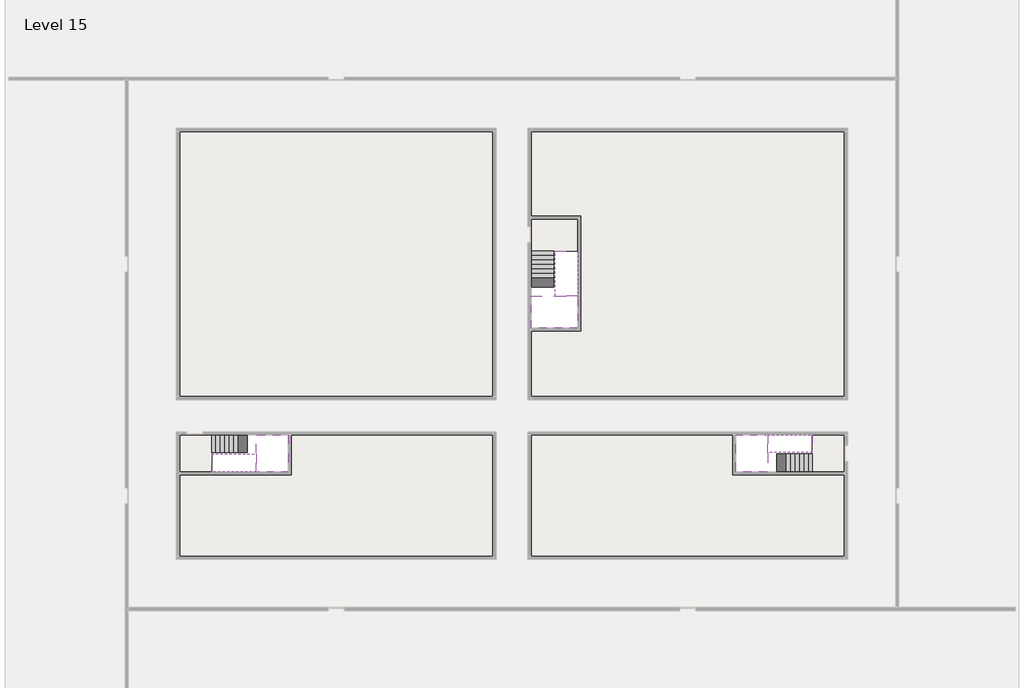
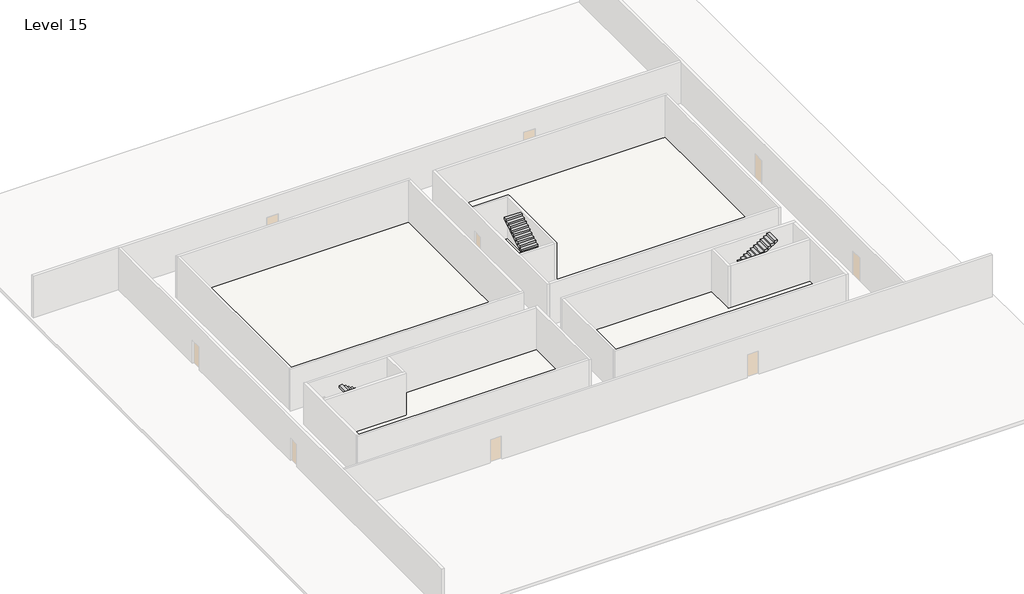
# One storey, part 2 of 2: 6 stair flights, 5 slabs.
"""IFC4 building model written with IfcOpenShell, lengths in millimetres."""

import ifcopenshell
import ifcopenshell.guid

model = None  # the IFC model being written
_history = None  # IfcOwnerHistory: only IFC2X3 demands one
_inside = {}  # id of a spatial element -> (the spatial element, [elements in it])
_under = {}  # id of a project, library or spatial element -> (it, [spatial elements below it])
_declared = {}  # id of a project -> (the project, [libraries it declares])
_typed = {}  # id of a type object -> (the type object, [elements of that type])
_made_of = {}  # id of a material, layer set ... -> (it, [elements and type objects made of it])


def new_model(schema):
    """Start an empty IFC model of exactly this schema.

    Asked for "IFC4X3", IfcOpenShell would pick the latest addendum, in which some entities
    have other attributes; the version numbers below select the first issue.
    IFC2X3 requires an IfcOwnerHistory on every rooted entity: one is made here for all.
    """
    global model, _history
    if schema == "IFC4X3":
        model = ifcopenshell.file(schema_version=(4, 3, 0, 0))
    else:
        model = ifcopenshell.file(schema=schema)
    _inside.clear()
    _under.clear()
    _declared.clear()
    _typed.clear()
    _made_of.clear()
    _history = None
    if model.schema == "IFC2X3":
        org = make("IfcOrganization", Name="unknown")
        user = make(
            "IfcPersonAndOrganization",
            ThePerson=make("IfcPerson", FamilyName="unknown"),
            TheOrganization=org,
        )
        app = make(
            "IfcApplication",
            ApplicationDeveloper=org,
            Version="unknown",
            ApplicationFullName="unknown",
            ApplicationIdentifier="unknown",
        )
        _history = make(
            "IfcOwnerHistory",
            OwningUser=user,
            OwningApplication=app,
            ChangeAction="ADDED",
            CreationDate=0,
        )
    return model


def make(cls, **values):
    """One entity of the class cls with the attributes given. An attribute that is None is left unset."""
    return model.create_entity(
        cls, **{name: value for name, value in values.items() if value is not None}
    )


def rooted(cls, **values):
    """An entity with a GlobalId (a new one), such as an element, a storey or a relation."""
    return make(cls, GlobalId=ifcopenshell.guid.new(), OwnerHistory=_history, **values)


def si_unit(unit_type, name, prefix=None):
    """IfcSIUnit, for example si_unit("LENGTHUNIT", "METRE", prefix="MILLI")."""
    return make("IfcSIUnit", UnitType=unit_type, Prefix=prefix, Name=name)


def assignment(units):
    """IfcUnitAssignment: the units of a project."""
    return None if units is None else make("IfcUnitAssignment", Units=units)


def point(xyz):
    """IfcCartesianPoint."""
    return None if xyz is None else make("IfcCartesianPoint", Coordinates=xyz)


def direction(xyz):
    """IfcDirection."""
    return None if xyz is None else make("IfcDirection", DirectionRatios=xyz)


def frame(location, z_axis=None, x_axis=None):
    """IfcAxis2Placement3D, a coordinate frame: its origin and axes. An axis left out is left unset."""
    return make(
        "IfcAxis2Placement3D",
        Location=point(location),
        Axis=direction(z_axis),
        RefDirection=direction(x_axis),
    )


def origin():
    """The frame at (0, 0, 0) with its axes left unset."""
    return frame((0.0, 0.0, 0.0))


def place(relative_to, where):
    """IfcLocalPlacement: puts the frame where relative to a parent placement (None: the world)."""
    return make(
        "IfcLocalPlacement", PlacementRelTo=relative_to, RelativePlacement=where
    )


def context(
    kind, dimensions, precision=None, world=None, true_north=None, identifier=None
):
    """IfcGeometricRepresentationContext, for example the 3D "Model" context."""
    return make(
        "IfcGeometricRepresentationContext",
        ContextIdentifier=identifier,
        ContextType=kind,
        CoordinateSpaceDimension=dimensions,
        Precision=precision,
        WorldCoordinateSystem=world,
        TrueNorth=true_north,
    )


def project(units=None, contexts=None):
    """IfcProject with its units and contexts."""
    return rooted(
        "IfcProject",
        Name="project",
        RepresentationContexts=contexts,
        UnitsInContext=assignment(units),
    )


def spatial(cls, under=None, at=None, **own):
    """A site, building, storey or space (cls), placed at a placement, below another one or the project."""
    s = rooted(cls, ObjectPlacement=at, **own)
    if under is not None:
        _under.setdefault(under.id(), (under, []))[1].append(s)
    return s


def polyline(points):
    """IfcPolyline through the points."""
    return make("IfcPolyline", Points=[point(p) for p in points])


def outline(outer, holes=None, kind="AREA"):
    """IfcArbitraryClosedProfileDef: a profile drawn as a closed curve; with holes, ...WithVoids."""
    if holes is None:
        return make("IfcArbitraryClosedProfileDef", ProfileType=kind, OuterCurve=outer)
    return make(
        "IfcArbitraryProfileDefWithVoids",
        ProfileType=kind,
        OuterCurve=outer,
        InnerCurves=holes,
    )


def extrude(swept, where, along, depth):
    """IfcExtrudedAreaSolid: the profile swept, set in the frame where, extruded along a direction by depth."""
    return make(
        "IfcExtrudedAreaSolid",
        SweptArea=swept,
        Position=where,
        ExtrudedDirection=direction(along),
        Depth=depth,
    )


def faces_of(points, faces, orient=None, outer=None):
    """IfcFace entities. A face is a list of loops; a loop is a list of indices into points, from 0.

    orient and outer hold one flag for each loop. By default every Orientation is true, the
    first loop of a face is its IfcFaceOuterBound and the others are IfcFaceBound.
    """
    made = []
    for i, loops in enumerate(faces):
        bounds = []
        for j, loop in enumerate(loops):
            is_outer = j == 0 if outer is None else outer[i][j]
            bounds.append(
                make(
                    "IfcFaceOuterBound" if is_outer else "IfcFaceBound",
                    Bound=make("IfcPolyLoop", Polygon=[points[k] for k in loop]),
                    Orientation=True if orient is None else orient[i][j],
                )
            )
        made.append(make("IfcFace", Bounds=bounds))
    return made


def faceted_brep(points, faces, orient=None, outer=None, voids=None):
    """IfcFacetedBrep: a solid bounded by flat faces; with voids (closed shells), ...WithVoids."""
    shared = [point(p) for p in points]
    hull = make("IfcClosedShell", CfsFaces=faces_of(shared, faces, orient, outer))
    if voids is None:
        return make("IfcFacetedBrep", Outer=hull)
    return make(
        "IfcFacetedBrepWithVoids",
        Outer=hull,
        Voids=[
            make(cls, CfsFaces=faces_of(shared, fs, o, b)) for cls, fs, o, b in voids
        ],
    )


def shape(context_of_items, identifier, shape_type, items):
    """IfcShapeRepresentation: the items that make up one representation, for example the "Body"."""
    return make(
        "IfcShapeRepresentation",
        ContextOfItems=context_of_items,
        RepresentationIdentifier=identifier,
        RepresentationType=shape_type,
        Items=items,
    )


def made_of(thing, what):
    """Note that an element or type object is made of a material, layer set ...; save() writes the relation."""
    if what is not None:
        _made_of.setdefault(what.id(), (what, []))[1].append(thing)
    return thing


def element(
    cls,
    number,
    at=None,
    inside=None,
    cuts=None,
    type_object=None,
    material=None,
    context=None,
    identifier="Body",
    shape_type=None,
    held_by="IfcProductDefinitionShape",
    body=None,
    shapes=None,
    **own,
):
    """One element of the class cls, such as IfcWall. Its Tag is "e" and its number.

    at: its placement. inside: the storey or other place that contains it. cuts: it is an
    opening in that element (IfcRelVoidsElement). A single representation is given by context,
    identifier, shape_type and body (its items); several are given by shapes. held_by: the class
    of the entity that holds the representations. save() writes the other relations.
    """
    e = rooted(cls, Tag="e%d" % number, ObjectPlacement=at, **own)
    if body is not None:
        shapes = [shape(context, identifier, shape_type, body)]
    if shapes is not None:
        e.Representation = make(held_by, Representations=shapes)
    if inside is not None:
        _inside.setdefault(inside.id(), (inside, []))[1].append(e)
    if cuts is not None:
        rooted(
            "IfcRelVoidsElement", RelatingBuildingElement=cuts, RelatedOpeningElement=e
        )
    if type_object is not None:
        _typed.setdefault(type_object.id(), (type_object, []))[1].append(e)
    return made_of(e, material)


def aggregate(whole, parts):
    """IfcRelAggregates: a whole, such as a stair, and the parts it consists of."""
    return rooted("IfcRelAggregates", RelatingObject=whole, RelatedObjects=parts)


def save(model, path):
    """Write the relations noted so far, then the file.

    IfcRelAggregates (storeys below a building ...), IfcRelContainedInSpatialStructure (elements
    in a storey), IfcRelDefinesByType, IfcRelAssociatesMaterial and IfcRelDeclares: one each for
    every whole, place, type object, material and project.
    """
    for whole, parts in _under.values():
        aggregate(whole, parts)
    for where, things in _inside.values():
        rooted(
            "IfcRelContainedInSpatialStructure",
            RelatedElements=things,
            RelatingStructure=where,
        )
    for kind, things in _typed.values():
        rooted("IfcRelDefinesByType", RelatedObjects=things, RelatingType=kind)
    for what, things in _made_of.values():
        rooted("IfcRelAssociatesMaterial", RelatedObjects=things, RelatingMaterial=what)
    for by, libraries in _declared.values():
        rooted("IfcRelDeclares", RelatingContext=by, RelatedDefinitions=libraries)
    model.write(path)


model = new_model("IFC4")

# Units and contexts
model_context = context("Model", 3, world=origin())
ifc_project = project(units=[si_unit("LENGTHUNIT", "METRE", prefix="MILLI")], contexts=[model_context])

# Site, building, storey
site = spatial("IfcSite", under=ifc_project)
building = spatial("IfcBuilding", under=site)
storey = spatial("IfcBuildingStorey", under=building, Name="Level 15", Elevation=53200.0)

# Slabs
placement = place(None, origin())
element("IfcSlab", 1, at=placement, inside=storey, context=model_context, shape_type="Brep", body=[
    faceted_brep([(8190.1058784, -42918.09644, 55100.0), (8190.1058784, -44018.09644, 55100.0), (8190.1058784, -44118.09644, 55100.0), (8190.1058784, -45218.09644, 55100.0), (8390.7194421, -45218.09644, 55100.0), (10190.1058784, -45218.09644, 55100.0), (10190.1058784, -42918.09644, 55100.0), (8269.4923146, -42918.09644, 55100.0), (8190.1058784, -42918.09644, 54927.2727273), (8190.1058784, -42918.09644, 54751.0278478), (8190.1058784, -44018.09644, 54751.0278478), (8190.1058784, -44018.09644, 54800.0), (8190.1058784, -44118.09644, 54800.0), (8190.1058784, -44118.09644, 54923.7551205), (8190.1058784, -45218.09644, 54923.7551205), (8390.7194421, -45218.09644, 54800.0), (10190.1058784, -45218.09644, 54800.0), (10190.1058784, -42918.09644, 54800.0), (8269.4923146, -42918.09644, 54800.0), (8390.7194421, -44118.09644, 54800.0), (8269.4923146, -44018.09644, 54800.0)], [[[0, 1, 2, 3, 4, 5, 6, 7]], [[1, 0, 8, 9, 10, 11]], [[2, 1, 11, 12, 13]], [[3, 2, 13, 14]], [[3, 14, 15, 16, 5, 4]], [[6, 5, 16, 17]], [[9, 8, 0, 7, 6, 17, 18]], [[19, 12, 11, 20, 18, 17, 16, 15]], [[12, 19, 13]], [[18, 20, 10, 9]], [[20, 11, 10]], [[19, 15, 14, 13]]]),
])
element("IfcSlab", 2, at=placement, inside=storey, context=model_context, shape_type="Brep", body=[
    faceted_brep([(40190.1058784, -45218.09644, 55100.0), (40190.1058784, -44118.09644, 55100.0), (40190.1058784, -44018.09644, 55100.0), (40190.1058784, -42918.09644, 55100.0), (39989.4923146, -42918.09644, 55100.0), (38190.1058784, -42918.09644, 55100.0), (38190.1058784, -45218.09644, 55100.0), (40110.7194421, -45218.09644, 55100.0), (40190.1058784, -45218.09644, 54927.2727273), (40190.1058784, -45218.09644, 54751.0278478), (40190.1058784, -44118.09644, 54751.0278478), (40190.1058784, -44118.09644, 54800.0), (40190.1058784, -44018.09644, 54800.0), (40190.1058784, -44018.09644, 54923.7551205), (40190.1058784, -42918.09644, 54923.7551205), (39989.4923146, -42918.09644, 54800.0), (38190.1058784, -42918.09644, 54800.0), (38190.1058784, -45218.09644, 54800.0), (40110.7194421, -45218.09644, 54800.0), (39989.4923146, -44018.09644, 54800.0), (40110.7194421, -44118.09644, 54800.0)], [[[0, 1, 2, 3, 4, 5, 6, 7]], [[1, 0, 8, 9, 10, 11]], [[2, 1, 11, 12, 13]], [[3, 2, 13, 14]], [[3, 14, 15, 16, 5, 4]], [[6, 5, 16, 17]], [[9, 8, 0, 7, 6, 17, 18]], [[19, 12, 11, 20, 18, 17, 16, 15]], [[12, 19, 13]], [[18, 20, 10, 9]], [[20, 11, 10]], [[19, 15, 14, 13]]]),
])
element("IfcSlab", 3, at=placement, inside=storey, context=model_context, shape_type="Brep", body=[
    faceted_brep([(26790.1058784, -34218.09644, 55100.0), (25390.1058784, -34218.09644, 55100.0), (25390.1058784, -34297.4828763, 55100.0), (25390.1058784, -36218.09644, 55100.0), (28290.1058784, -36218.09644, 55100.0), (28290.1058784, -34418.7100038, 55100.0), (28290.1058784, -34218.09644, 55100.0), (26890.1058784, -34218.09644, 55100.0), (26790.1058784, -34218.09644, 54800.0), (26790.1058784, -34218.09644, 54751.0278478), (25390.1058784, -34218.09644, 54751.0278478), (25390.1058784, -34218.09644, 54927.2727273), (25390.1058784, -34297.4828763, 54800.0), (25390.1058784, -36218.09644, 54800.0), (28290.1058784, -36218.09644, 54800.0), (28290.1058784, -34418.7100038, 54800.0), (28290.1058784, -34218.09644, 54923.7551205), (26890.1058784, -34218.09644, 54923.7551205), (26890.1058784, -34218.09644, 54800.0), (26890.1058784, -34418.7100038, 54800.0), (26790.1058784, -34297.4828763, 54800.0)], [[[0, 1, 2, 3, 4, 5, 6, 7]], [[1, 0, 8, 9, 10, 11]], [[1, 11, 10, 12, 13, 3, 2]], [[4, 3, 13, 14]], [[4, 14, 15, 16, 6, 5]], [[7, 6, 16, 17]], [[0, 7, 17, 18, 8]], [[18, 19, 15, 14, 13, 12, 20, 8]], [[19, 18, 17]], [[20, 12, 10, 9]], [[8, 20, 9]], [[15, 19, 17, 16]]]),
])
element("IfcSlab", 4, at=placement, inside=storey, context=model_context, shape_type="SweptSolid", body=[
    extrude(outline(polyline([(22990.1058784, -23918.09644), (22990.1058784, -40518.09644), (3390.1058784, -40518.09644), (3390.1058784, -23918.09644), (22990.1058784, -23918.09644)])), frame((0.0, 0.0, 52900.0), z_axis=(0.0, 0.0, 1.0), x_axis=(1.0, 0.0, 0.0)), (0.0, 0.0, 1.0), 300.0),
    extrude(outline(polyline([(44990.1058784, -23918.09644), (44990.1058784, -40518.09644), (25390.1058784, -40518.09644), (25390.1058784, -36418.09644), (28490.1058784, -36418.09644), (28490.1058784, -29218.09644), (25390.1058784, -29218.09644), (25390.1058784, -23918.09644), (44990.1058784, -23918.09644)])), frame((0.0, 0.0, 52900.0), z_axis=(0.0, 0.0, 1.0), x_axis=(1.0, 0.0, 0.0)), (0.0, 0.0, 1.0), 300.0),
    extrude(outline(polyline([(22990.1058784, -42918.09644), (22990.1058784, -50518.09644), (3390.1058784, -50518.09644), (3390.1058784, -45418.09644), (10390.1058784, -45418.09644), (10390.1058784, -42918.09644), (22990.1058784, -42918.09644)])), frame((0.0, 0.0, 52900.0), z_axis=(0.0, 0.0, 1.0), x_axis=(1.0, 0.0, 0.0)), (0.0, 0.0, 1.0), 300.0),
    extrude(outline(polyline([(37990.1058784, -42918.09644), (37990.1058784, -45418.09644), (44990.1058784, -45418.09644), (44990.1058784, -50518.09644), (25390.1058784, -50518.09644), (25390.1058784, -42918.09644), (37990.1058784, -42918.09644)])), frame((0.0, 0.0, 52900.0), z_axis=(0.0, 0.0, 1.0), x_axis=(1.0, 0.0, 0.0)), (0.0, 0.0, 1.0), 300.0),
])
element("IfcSlab", 5, at=placement, inside=storey, context=model_context, shape_type="SweptSolid", body=[
    extrude(outline(polyline([(44990.1058784, -42918.09644), (44990.1058784, -45218.09644), (42990.1058784, -45218.09644), (42990.1058784, -42918.09644), (44990.1058784, -42918.09644)])), frame((0.0, 0.0, 52900.0), z_axis=(0.0, 0.0, 1.0), x_axis=(1.0, 0.0, 0.0)), (0.0, 0.0, 1.0), 300.0),
    extrude(outline(polyline([(5390.1058784, -42918.09644), (5390.1058784, -45218.09644), (3390.1058784, -45218.09644), (3390.1058784, -42918.09644), (5390.1058784, -42918.09644)])), frame((0.0, 0.0, 52900.0), z_axis=(0.0, 0.0, 1.0), x_axis=(1.0, 0.0, 0.0)), (0.0, 0.0, 1.0), 300.0),
    extrude(outline(polyline([(28290.1058784, -29418.09644), (28290.1058784, -31418.09644), (25390.1058784, -31418.09644), (25390.1058784, -29418.09644), (28290.1058784, -29418.09644)])), frame((0.0, 0.0, 52900.0), z_axis=(0.0, 0.0, 1.0), x_axis=(1.0, 0.0, 0.0)), (0.0, 0.0, 1.0), 300.0),
])

# Stair flights
element("IfcStairFlight", 6, at=placement, inside=storey, context=model_context, shape_type="Brep", body=[
    faceted_brep([(5670.1058784, -42918.09644, 53372.7272727), (5390.1058784, -42918.09644, 53372.7272727), (5390.1058784, -44018.09644, 53372.7272727), (5670.1058784, -44018.09644, 53372.7272727), (5670.1058784, -42918.09644, 53200.0), (5390.1058784, -42918.09644, 53200.0), (5390.1058784, -44018.09644, 53200.0), (5670.1058784, -44018.09644, 53200.0), (5950.1058784, -42918.09644, 53545.4545455), (5670.1058784, -42918.09644, 53545.4545455), (5670.1058784, -44018.09644, 53545.4545455), (5950.1058784, -44018.09644, 53545.4545455), (5950.1058784, -42918.09644, 53369.209666), (5675.8081041, -42918.09644, 53200.0), (5675.8081041, -44018.09644, 53200.0), (5950.1058784, -44018.09644, 53369.209666), (6230.1058784, -42918.09644, 53718.1818182), (5950.1058784, -42918.09644, 53718.1818182), (5950.1058784, -44018.09644, 53718.1818182), (6230.1058784, -44018.09644, 53718.1818182), (6230.1058784, -42918.09644, 53541.9369387), (6230.1058784, -44018.09644, 53541.9369387), (6510.1058784, -42918.09644, 53890.9090909), (6230.1058784, -42918.09644, 53890.9090909), (6230.1058784, -44018.09644, 53890.9090909), (6510.1058784, -44018.09644, 53890.9090909), (6510.1058784, -42918.09644, 53714.6642114), (6510.1058784, -44018.09644, 53714.6642114), (6790.1058784, -42918.09644, 54063.6363636), (6510.1058784, -42918.09644, 54063.6363636), (6510.1058784, -44018.09644, 54063.6363636), (6790.1058784, -44018.09644, 54063.6363636), (6790.1058784, -42918.09644, 53887.3914841), (6790.1058784, -44018.09644, 53887.3914841), (7070.1058784, -42918.09644, 54236.3636364), (6790.1058784, -42918.09644, 54236.3636364), (6790.1058784, -44018.09644, 54236.3636364), (7070.1058784, -44018.09644, 54236.3636364), (7070.1058784, -42918.09644, 54060.1187569), (7070.1058784, -44018.09644, 54060.1187569), (7350.1058784, -42918.09644, 54409.0909091), (7070.1058784, -42918.09644, 54409.0909091), (7070.1058784, -44018.09644, 54409.0909091), (7350.1058784, -44018.09644, 54409.0909091), (7350.1058784, -42918.09644, 54232.8460296), (7350.1058784, -44018.09644, 54232.8460296), (7630.1058784, -42918.09644, 54581.8181818), (7350.1058784, -42918.09644, 54581.8181818), (7350.1058784, -44018.09644, 54581.8181818), (7630.1058784, -44018.09644, 54581.8181818), (7630.1058784, -42918.09644, 54405.5733023), (7630.1058784, -44018.09644, 54405.5733023), (7910.1058784, -42918.09644, 54754.5454545), (7630.1058784, -42918.09644, 54754.5454545), (7630.1058784, -44018.09644, 54754.5454545), (7910.1058784, -44018.09644, 54754.5454545), (7910.1058784, -42918.09644, 54578.3005751), (7910.1058784, -44018.09644, 54578.3005751), (8190.1058784, -42918.09644, 54927.2727273), (7910.1058784, -42918.09644, 54927.2727273), (7910.1058784, -44018.09644, 54927.2727273), (8190.1058784, -44018.09644, 54927.2727273), (8190.1058784, -42918.09644, 54751.0278478), (8190.1058784, -44018.09644, 54751.0278478), (8190.1058784, -44018.09644, 54800.0)], [[[0, 1, 2, 3]], [[1, 0, 4, 5]], [[2, 1, 5, 6]], [[3, 2, 6, 7]], [[8, 9, 10, 11]], [[4, 0, 9, 8, 12, 13]], [[0, 3, 10, 9]], [[3, 7, 14, 15, 11, 10]], [[16, 17, 18, 19]], [[17, 16, 20, 12, 8]], [[8, 11, 18, 17]], [[19, 18, 11, 15, 21]], [[22, 23, 24, 25]], [[23, 22, 26, 20, 16]], [[16, 19, 24, 23]], [[25, 24, 19, 21, 27]], [[28, 29, 30, 31]], [[29, 28, 32, 26, 22]], [[22, 25, 30, 29]], [[31, 30, 25, 27, 33]], [[34, 35, 36, 37]], [[35, 34, 38, 32, 28]], [[28, 31, 36, 35]], [[37, 36, 31, 33, 39]], [[40, 41, 42, 43]], [[41, 40, 44, 38, 34]], [[34, 37, 42, 41]], [[43, 42, 37, 39, 45]], [[46, 47, 48, 49]], [[47, 46, 50, 44, 40]], [[40, 43, 48, 47]], [[49, 48, 43, 45, 51]], [[52, 53, 54, 55]], [[53, 52, 56, 50, 46]], [[46, 49, 54, 53]], [[55, 54, 49, 51, 57]], [[58, 59, 60, 61]], [[59, 58, 62, 56, 52]], [[52, 55, 60, 59]], [[61, 60, 55, 57, 63, 64]], [[58, 61, 64, 63, 62]], [[5, 4, 13, 14, 7, 6]], [[14, 13, 12, 20, 26, 32, 38, 44, 50, 56, 62, 63, 57, 51, 45, 39, 33, 27, 21, 15]]]),
])
element("IfcStairFlight", 7, at=placement, inside=storey, context=model_context, shape_type="Brep", body=[
    faceted_brep([(7910.1058784, -45218.09644, 55272.7272727), (8190.1058784, -45218.09644, 55272.7272727), (8190.1058784, -44118.09644, 55272.7272727), (7910.1058784, -44118.09644, 55272.7272727), (7910.1058784, -45218.09644, 55096.4823932), (8190.1058784, -45218.09644, 54923.7551205), (8190.1058784, -45218.09644, 55100.0), (8190.1058784, -44118.09644, 54923.7551205), (7910.1058784, -44118.09644, 55096.4823932), (7630.1058784, -45218.09644, 55445.4545455), (7910.1058784, -45218.09644, 55445.4545455), (7910.1058784, -44118.09644, 55445.4545455), (7630.1058784, -44118.09644, 55445.4545455), (7630.1058784, -45218.09644, 55269.209666), (7630.1058784, -44118.09644, 55269.209666), (7350.1058784, -45218.09644, 55618.1818182), (7630.1058784, -45218.09644, 55618.1818182), (7630.1058784, -44118.09644, 55618.1818182), (7350.1058784, -44118.09644, 55618.1818182), (7350.1058784, -45218.09644, 55441.9369387), (7350.1058784, -44118.09644, 55441.9369387), (7070.1058784, -45218.09644, 55790.9090909), (7350.1058784, -45218.09644, 55790.9090909), (7350.1058784, -44118.09644, 55790.9090909), (7070.1058784, -44118.09644, 55790.9090909), (7070.1058784, -45218.09644, 55614.6642114), (7070.1058784, -44118.09644, 55614.6642114), (6790.1058784, -45218.09644, 55963.6363636), (7070.1058784, -45218.09644, 55963.6363636), (7070.1058784, -44118.09644, 55963.6363636), (6790.1058784, -44118.09644, 55963.6363636), (6790.1058784, -45218.09644, 55787.3914841), (6790.1058784, -44118.09644, 55787.3914841), (6510.1058784, -45218.09644, 56136.3636364), (6790.1058784, -45218.09644, 56136.3636364), (6790.1058784, -44118.09644, 56136.3636364), (6510.1058784, -44118.09644, 56136.3636364), (6510.1058784, -45218.09644, 55960.1187569), (6510.1058784, -44118.09644, 55960.1187569), (6230.1058784, -45218.09644, 56309.0909091), (6510.1058784, -45218.09644, 56309.0909091), (6510.1058784, -44118.09644, 56309.0909091), (6230.1058784, -44118.09644, 56309.0909091), (6230.1058784, -45218.09644, 56132.8460296), (6230.1058784, -44118.09644, 56132.8460296), (5950.1058784, -45218.09644, 56481.8181818), (6230.1058784, -45218.09644, 56481.8181818), (6230.1058784, -44118.09644, 56481.8181818), (5950.1058784, -44118.09644, 56481.8181818), (5950.1058784, -45218.09644, 56305.5733023), (5950.1058784, -44118.09644, 56305.5733023), (5670.1058784, -45218.09644, 56654.5454545), (5950.1058784, -45218.09644, 56654.5454545), (5950.1058784, -44118.09644, 56654.5454545), (5670.1058784, -44118.09644, 56654.5454545), (5670.1058784, -45218.09644, 56478.3005751), (5670.1058784, -44118.09644, 56478.3005751), (5390.1058784, -45218.09644, 56827.2727273), (5670.1058784, -45218.09644, 56827.2727273), (5670.1058784, -44118.09644, 56827.2727273), (5390.1058784, -44118.09644, 56827.2727273), (5390.1058784, -45218.09644, 56651.0278478), (5390.1058784, -44118.09644, 56651.0278478)], [[[0, 1, 2, 3]], [[1, 0, 4, 5, 6]], [[2, 1, 6, 5, 7]], [[3, 2, 7, 8]], [[9, 10, 11, 12]], [[10, 9, 13, 4, 0]], [[11, 10, 0, 3]], [[12, 11, 3, 8, 14]], [[15, 16, 17, 18]], [[16, 15, 19, 13, 9]], [[17, 16, 9, 12]], [[18, 17, 12, 14, 20]], [[21, 22, 23, 24]], [[22, 21, 25, 19, 15]], [[23, 22, 15, 18]], [[24, 23, 18, 20, 26]], [[27, 28, 29, 30]], [[28, 27, 31, 25, 21]], [[29, 28, 21, 24]], [[30, 29, 24, 26, 32]], [[33, 34, 35, 36]], [[34, 33, 37, 31, 27]], [[35, 34, 27, 30]], [[36, 35, 30, 32, 38]], [[39, 40, 41, 42]], [[40, 39, 43, 37, 33]], [[41, 40, 33, 36]], [[42, 41, 36, 38, 44]], [[45, 46, 47, 48]], [[46, 45, 49, 43, 39]], [[47, 46, 39, 42]], [[48, 47, 42, 44, 50]], [[51, 52, 53, 54]], [[52, 51, 55, 49, 45]], [[53, 52, 45, 48]], [[54, 53, 48, 50, 56]], [[57, 58, 59, 60]], [[58, 57, 61, 55, 51]], [[59, 58, 51, 54]], [[60, 59, 54, 56, 62]], [[57, 60, 62, 61]], [[5, 4, 13, 19, 25, 31, 37, 43, 49, 55, 61, 62, 56, 50, 44, 38, 32, 26, 20, 14, 8, 7]]]),
])
element("IfcStairFlight", 8, at=placement, inside=storey, context=model_context, shape_type="Brep", body=[
    faceted_brep([(42710.1058784, -45218.09644, 53372.7272727), (42990.1058784, -45218.09644, 53372.7272727), (42990.1058784, -44118.09644, 53372.7272727), (42710.1058784, -44118.09644, 53372.7272727), (42710.1058784, -45218.09644, 53200.0), (42990.1058784, -45218.09644, 53200.0), (42990.1058784, -44118.09644, 53200.0), (42710.1058784, -44118.09644, 53200.0), (42430.1058784, -45218.09644, 53545.4545455), (42710.1058784, -45218.09644, 53545.4545455), (42710.1058784, -44118.09644, 53545.4545455), (42430.1058784, -44118.09644, 53545.4545455), (42430.1058784, -45218.09644, 53369.209666), (42704.4036527, -45218.09644, 53200.0), (42704.4036527, -44118.09644, 53200.0), (42430.1058784, -44118.09644, 53369.209666), (42150.1058784, -45218.09644, 53718.1818182), (42430.1058784, -45218.09644, 53718.1818182), (42430.1058784, -44118.09644, 53718.1818182), (42150.1058784, -44118.09644, 53718.1818182), (42150.1058784, -45218.09644, 53541.9369387), (42150.1058784, -44118.09644, 53541.9369387), (41870.1058784, -45218.09644, 53890.9090909), (42150.1058784, -45218.09644, 53890.9090909), (42150.1058784, -44118.09644, 53890.9090909), (41870.1058784, -44118.09644, 53890.9090909), (41870.1058784, -45218.09644, 53714.6642114), (41870.1058784, -44118.09644, 53714.6642114), (41590.1058784, -45218.09644, 54063.6363636), (41870.1058784, -45218.09644, 54063.6363636), (41870.1058784, -44118.09644, 54063.6363636), (41590.1058784, -44118.09644, 54063.6363636), (41590.1058784, -45218.09644, 53887.3914841), (41590.1058784, -44118.09644, 53887.3914841), (41310.1058784, -45218.09644, 54236.3636364), (41590.1058784, -45218.09644, 54236.3636364), (41590.1058784, -44118.09644, 54236.3636364), (41310.1058784, -44118.09644, 54236.3636364), (41310.1058784, -45218.09644, 54060.1187569), (41310.1058784, -44118.09644, 54060.1187569), (41030.1058784, -45218.09644, 54409.0909091), (41310.1058784, -45218.09644, 54409.0909091), (41310.1058784, -44118.09644, 54409.0909091), (41030.1058784, -44118.09644, 54409.0909091), (41030.1058784, -45218.09644, 54232.8460296), (41030.1058784, -44118.09644, 54232.8460296), (40750.1058784, -45218.09644, 54581.8181818), (41030.1058784, -45218.09644, 54581.8181818), (41030.1058784, -44118.09644, 54581.8181818), (40750.1058784, -44118.09644, 54581.8181818), (40750.1058784, -45218.09644, 54405.5733023), (40750.1058784, -44118.09644, 54405.5733023), (40470.1058784, -45218.09644, 54754.5454545), (40750.1058784, -45218.09644, 54754.5454545), (40750.1058784, -44118.09644, 54754.5454545), (40470.1058784, -44118.09644, 54754.5454545), (40470.1058784, -45218.09644, 54578.3005751), (40470.1058784, -44118.09644, 54578.3005751), (40190.1058784, -45218.09644, 54927.2727273), (40470.1058784, -45218.09644, 54927.2727273), (40470.1058784, -44118.09644, 54927.2727273), (40190.1058784, -44118.09644, 54927.2727273), (40190.1058784, -45218.09644, 54751.0278478), (40190.1058784, -44118.09644, 54751.0278478), (40190.1058784, -44118.09644, 54800.0)], [[[0, 1, 2, 3]], [[1, 0, 4, 5]], [[2, 1, 5, 6]], [[3, 2, 6, 7]], [[8, 9, 10, 11]], [[4, 0, 9, 8, 12, 13]], [[0, 3, 10, 9]], [[3, 7, 14, 15, 11, 10]], [[16, 17, 18, 19]], [[17, 16, 20, 12, 8]], [[8, 11, 18, 17]], [[19, 18, 11, 15, 21]], [[22, 23, 24, 25]], [[23, 22, 26, 20, 16]], [[16, 19, 24, 23]], [[25, 24, 19, 21, 27]], [[28, 29, 30, 31]], [[29, 28, 32, 26, 22]], [[22, 25, 30, 29]], [[31, 30, 25, 27, 33]], [[34, 35, 36, 37]], [[35, 34, 38, 32, 28]], [[28, 31, 36, 35]], [[37, 36, 31, 33, 39]], [[40, 41, 42, 43]], [[41, 40, 44, 38, 34]], [[34, 37, 42, 41]], [[43, 42, 37, 39, 45]], [[46, 47, 48, 49]], [[47, 46, 50, 44, 40]], [[40, 43, 48, 47]], [[49, 48, 43, 45, 51]], [[52, 53, 54, 55]], [[53, 52, 56, 50, 46]], [[46, 49, 54, 53]], [[55, 54, 49, 51, 57]], [[58, 59, 60, 61]], [[59, 58, 62, 56, 52]], [[52, 55, 60, 59]], [[61, 60, 55, 57, 63, 64]], [[58, 61, 64, 63, 62]], [[5, 4, 13, 14, 7, 6]], [[14, 13, 12, 20, 26, 32, 38, 44, 50, 56, 62, 63, 57, 51, 45, 39, 33, 27, 21, 15]]]),
])
element("IfcStairFlight", 9, at=placement, inside=storey, context=model_context, shape_type="Brep", body=[
    faceted_brep([(40470.1058784, -42918.09644, 55272.7272727), (40190.1058784, -42918.09644, 55272.7272727), (40190.1058784, -44018.09644, 55272.7272727), (40470.1058784, -44018.09644, 55272.7272727), (40470.1058784, -42918.09644, 55096.4823932), (40190.1058784, -42918.09644, 54923.7551205), (40190.1058784, -42918.09644, 55100.0), (40190.1058784, -44018.09644, 54923.7551205), (40470.1058784, -44018.09644, 55096.4823932), (40750.1058784, -42918.09644, 55445.4545455), (40470.1058784, -42918.09644, 55445.4545455), (40470.1058784, -44018.09644, 55445.4545455), (40750.1058784, -44018.09644, 55445.4545455), (40750.1058784, -42918.09644, 55269.209666), (40750.1058784, -44018.09644, 55269.209666), (41030.1058784, -42918.09644, 55618.1818182), (40750.1058784, -42918.09644, 55618.1818182), (40750.1058784, -44018.09644, 55618.1818182), (41030.1058784, -44018.09644, 55618.1818182), (41030.1058784, -42918.09644, 55441.9369387), (41030.1058784, -44018.09644, 55441.9369387), (41310.1058784, -42918.09644, 55790.9090909), (41030.1058784, -42918.09644, 55790.9090909), (41030.1058784, -44018.09644, 55790.9090909), (41310.1058784, -44018.09644, 55790.9090909), (41310.1058784, -42918.09644, 55614.6642114), (41310.1058784, -44018.09644, 55614.6642114), (41590.1058784, -42918.09644, 55963.6363636), (41310.1058784, -42918.09644, 55963.6363636), (41310.1058784, -44018.09644, 55963.6363636), (41590.1058784, -44018.09644, 55963.6363636), (41590.1058784, -42918.09644, 55787.3914841), (41590.1058784, -44018.09644, 55787.3914841), (41870.1058784, -42918.09644, 56136.3636364), (41590.1058784, -42918.09644, 56136.3636364), (41590.1058784, -44018.09644, 56136.3636364), (41870.1058784, -44018.09644, 56136.3636364), (41870.1058784, -42918.09644, 55960.1187569), (41870.1058784, -44018.09644, 55960.1187569), (42150.1058784, -42918.09644, 56309.0909091), (41870.1058784, -42918.09644, 56309.0909091), (41870.1058784, -44018.09644, 56309.0909091), (42150.1058784, -44018.09644, 56309.0909091), (42150.1058784, -42918.09644, 56132.8460296), (42150.1058784, -44018.09644, 56132.8460296), (42430.1058784, -42918.09644, 56481.8181818), (42150.1058784, -42918.09644, 56481.8181818), (42150.1058784, -44018.09644, 56481.8181818), (42430.1058784, -44018.09644, 56481.8181818), (42430.1058784, -42918.09644, 56305.5733023), (42430.1058784, -44018.09644, 56305.5733023), (42710.1058784, -42918.09644, 56654.5454545), (42430.1058784, -42918.09644, 56654.5454545), (42430.1058784, -44018.09644, 56654.5454545), (42710.1058784, -44018.09644, 56654.5454545), (42710.1058784, -42918.09644, 56478.3005751), (42710.1058784, -44018.09644, 56478.3005751), (42990.1058784, -42918.09644, 56827.2727273), (42710.1058784, -42918.09644, 56827.2727273), (42710.1058784, -44018.09644, 56827.2727273), (42990.1058784, -44018.09644, 56827.2727273), (42990.1058784, -42918.09644, 56651.0278478), (42990.1058784, -44018.09644, 56651.0278478)], [[[0, 1, 2, 3]], [[1, 0, 4, 5, 6]], [[2, 1, 6, 5, 7]], [[3, 2, 7, 8]], [[9, 10, 11, 12]], [[10, 9, 13, 4, 0]], [[11, 10, 0, 3]], [[12, 11, 3, 8, 14]], [[15, 16, 17, 18]], [[16, 15, 19, 13, 9]], [[17, 16, 9, 12]], [[18, 17, 12, 14, 20]], [[21, 22, 23, 24]], [[22, 21, 25, 19, 15]], [[23, 22, 15, 18]], [[24, 23, 18, 20, 26]], [[27, 28, 29, 30]], [[28, 27, 31, 25, 21]], [[29, 28, 21, 24]], [[30, 29, 24, 26, 32]], [[33, 34, 35, 36]], [[34, 33, 37, 31, 27]], [[35, 34, 27, 30]], [[36, 35, 30, 32, 38]], [[39, 40, 41, 42]], [[40, 39, 43, 37, 33]], [[41, 40, 33, 36]], [[42, 41, 36, 38, 44]], [[45, 46, 47, 48]], [[46, 45, 49, 43, 39]], [[47, 46, 39, 42]], [[48, 47, 42, 44, 50]], [[51, 52, 53, 54]], [[52, 51, 55, 49, 45]], [[53, 52, 45, 48]], [[54, 53, 48, 50, 56]], [[57, 58, 59, 60]], [[58, 57, 61, 55, 51]], [[59, 58, 51, 54]], [[60, 59, 54, 56, 62]], [[57, 60, 62, 61]], [[5, 4, 13, 19, 25, 31, 37, 43, 49, 55, 61, 62, 56, 50, 44, 38, 32, 26, 20, 14, 8, 7]]]),
])
element("IfcStairFlight", 10, at=placement, inside=storey, context=model_context, shape_type="Brep", body=[
    faceted_brep([(26790.1058784, -31698.09644, 53372.7272727), (26790.1058784, -31418.09644, 53372.7272727), (25390.1058784, -31418.09644, 53372.7272727), (25390.1058784, -31698.09644, 53372.7272727), (26790.1058784, -31698.09644, 53200.0), (26790.1058784, -31418.09644, 53200.0), (25390.1058784, -31418.09644, 53200.0), (25390.1058784, -31698.09644, 53200.0), (26790.1058784, -31978.09644, 53545.4545455), (26790.1058784, -31698.09644, 53545.4545455), (25390.1058784, -31698.09644, 53545.4545455), (25390.1058784, -31978.09644, 53545.4545455), (26790.1058784, -31978.09644, 53369.209666), (26790.1058784, -31703.7986657, 53200.0), (25390.1058784, -31703.7986657, 53200.0), (25390.1058784, -31978.09644, 53369.209666), (26790.1058784, -32258.09644, 53718.1818182), (26790.1058784, -31978.09644, 53718.1818182), (25390.1058784, -31978.09644, 53718.1818182), (25390.1058784, -32258.09644, 53718.1818182), (26790.1058784, -32258.09644, 53541.9369387), (25390.1058784, -32258.09644, 53541.9369387), (26790.1058784, -32538.09644, 53890.9090909), (26790.1058784, -32258.09644, 53890.9090909), (25390.1058784, -32258.09644, 53890.9090909), (25390.1058784, -32538.09644, 53890.9090909), (26790.1058784, -32538.09644, 53714.6642114), (25390.1058784, -32538.09644, 53714.6642114), (26790.1058784, -32818.09644, 54063.6363636), (26790.1058784, -32538.09644, 54063.6363636), (25390.1058784, -32538.09644, 54063.6363636), (25390.1058784, -32818.09644, 54063.6363636), (26790.1058784, -32818.09644, 53887.3914841), (25390.1058784, -32818.09644, 53887.3914841), (26790.1058784, -33098.09644, 54236.3636364), (26790.1058784, -32818.09644, 54236.3636364), (25390.1058784, -32818.09644, 54236.3636364), (25390.1058784, -33098.09644, 54236.3636364), (26790.1058784, -33098.09644, 54060.1187569), (25390.1058784, -33098.09644, 54060.1187569), (26790.1058784, -33378.09644, 54409.0909091), (26790.1058784, -33098.09644, 54409.0909091), (25390.1058784, -33098.09644, 54409.0909091), (25390.1058784, -33378.09644, 54409.0909091), (26790.1058784, -33378.09644, 54232.8460296), (25390.1058784, -33378.09644, 54232.8460296), (26790.1058784, -33658.09644, 54581.8181818), (26790.1058784, -33378.09644, 54581.8181818), (25390.1058784, -33378.09644, 54581.8181818), (25390.1058784, -33658.09644, 54581.8181818), (26790.1058784, -33658.09644, 54405.5733023), (25390.1058784, -33658.09644, 54405.5733023), (26790.1058784, -33938.09644, 54754.5454545), (26790.1058784, -33658.09644, 54754.5454545), (25390.1058784, -33658.09644, 54754.5454545), (25390.1058784, -33938.09644, 54754.5454545), (26790.1058784, -33938.09644, 54578.3005751), (25390.1058784, -33938.09644, 54578.3005751), (26790.1058784, -34218.09644, 54927.2727273), (26790.1058784, -33938.09644, 54927.2727273), (25390.1058784, -33938.09644, 54927.2727273), (25390.1058784, -34218.09644, 54927.2727273), (26790.1058784, -34218.09644, 54800.0), (26790.1058784, -34218.09644, 54751.0278478), (25390.1058784, -34218.09644, 54751.0278478)], [[[0, 1, 2, 3]], [[1, 0, 4, 5]], [[2, 1, 5, 6]], [[3, 2, 6, 7]], [[8, 9, 10, 11]], [[4, 0, 9, 8, 12, 13]], [[0, 3, 10, 9]], [[3, 7, 14, 15, 11, 10]], [[16, 17, 18, 19]], [[17, 16, 20, 12, 8]], [[8, 11, 18, 17]], [[19, 18, 11, 15, 21]], [[22, 23, 24, 25]], [[23, 22, 26, 20, 16]], [[16, 19, 24, 23]], [[25, 24, 19, 21, 27]], [[28, 29, 30, 31]], [[29, 28, 32, 26, 22]], [[22, 25, 30, 29]], [[31, 30, 25, 27, 33]], [[34, 35, 36, 37]], [[35, 34, 38, 32, 28]], [[28, 31, 36, 35]], [[37, 36, 31, 33, 39]], [[40, 41, 42, 43]], [[41, 40, 44, 38, 34]], [[34, 37, 42, 41]], [[43, 42, 37, 39, 45]], [[46, 47, 48, 49]], [[47, 46, 50, 44, 40]], [[40, 43, 48, 47]], [[49, 48, 43, 45, 51]], [[52, 53, 54, 55]], [[53, 52, 56, 50, 46]], [[46, 49, 54, 53]], [[55, 54, 49, 51, 57]], [[58, 59, 60, 61]], [[59, 58, 62, 63, 56, 52]], [[52, 55, 60, 59]], [[61, 60, 55, 57, 64]], [[58, 61, 64, 63, 62]], [[5, 4, 13, 14, 7, 6]], [[14, 13, 12, 20, 26, 32, 38, 44, 50, 56, 63, 64, 57, 51, 45, 39, 33, 27, 21, 15]]]),
])
element("IfcStairFlight", 11, at=placement, inside=storey, context=model_context, shape_type="Brep", body=[
    faceted_brep([(26890.1058784, -33938.09644, 55272.7272727), (26890.1058784, -34218.09644, 55272.7272727), (28290.1058784, -34218.09644, 55272.7272727), (28290.1058784, -33938.09644, 55272.7272727), (26890.1058784, -33938.09644, 55096.4823932), (26890.1058784, -34218.09644, 54923.7551205), (28290.1058784, -34218.09644, 54923.7551205), (28290.1058784, -34218.09644, 55100.0), (28290.1058784, -33938.09644, 55096.4823932), (26890.1058784, -33658.09644, 55445.4545455), (26890.1058784, -33938.09644, 55445.4545455), (28290.1058784, -33938.09644, 55445.4545455), (28290.1058784, -33658.09644, 55445.4545455), (26890.1058784, -33658.09644, 55269.209666), (28290.1058784, -33658.09644, 55269.209666), (26890.1058784, -33378.09644, 55618.1818182), (26890.1058784, -33658.09644, 55618.1818182), (28290.1058784, -33658.09644, 55618.1818182), (28290.1058784, -33378.09644, 55618.1818182), (26890.1058784, -33378.09644, 55441.9369387), (28290.1058784, -33378.09644, 55441.9369387), (26890.1058784, -33098.09644, 55790.9090909), (26890.1058784, -33378.09644, 55790.9090909), (28290.1058784, -33378.09644, 55790.9090909), (28290.1058784, -33098.09644, 55790.9090909), (26890.1058784, -33098.09644, 55614.6642114), (28290.1058784, -33098.09644, 55614.6642114), (26890.1058784, -32818.09644, 55963.6363636), (26890.1058784, -33098.09644, 55963.6363636), (28290.1058784, -33098.09644, 55963.6363636), (28290.1058784, -32818.09644, 55963.6363636), (26890.1058784, -32818.09644, 55787.3914841), (28290.1058784, -32818.09644, 55787.3914841), (26890.1058784, -32538.09644, 56136.3636364), (26890.1058784, -32818.09644, 56136.3636364), (28290.1058784, -32818.09644, 56136.3636364), (28290.1058784, -32538.09644, 56136.3636364), (26890.1058784, -32538.09644, 55960.1187569), (28290.1058784, -32538.09644, 55960.1187569), (26890.1058784, -32258.09644, 56309.0909091), (26890.1058784, -32538.09644, 56309.0909091), (28290.1058784, -32538.09644, 56309.0909091), (28290.1058784, -32258.09644, 56309.0909091), (26890.1058784, -32258.09644, 56132.8460296), (28290.1058784, -32258.09644, 56132.8460296), (26890.1058784, -31978.09644, 56481.8181818), (26890.1058784, -32258.09644, 56481.8181818), (28290.1058784, -32258.09644, 56481.8181818), (28290.1058784, -31978.09644, 56481.8181818), (26890.1058784, -31978.09644, 56305.5733023), (28290.1058784, -31978.09644, 56305.5733023), (26890.1058784, -31698.09644, 56654.5454545), (26890.1058784, -31978.09644, 56654.5454545), (28290.1058784, -31978.09644, 56654.5454545), (28290.1058784, -31698.09644, 56654.5454545), (26890.1058784, -31698.09644, 56478.3005751), (28290.1058784, -31698.09644, 56478.3005751), (26890.1058784, -31418.09644, 56827.2727273), (26890.1058784, -31698.09644, 56827.2727273), (28290.1058784, -31698.09644, 56827.2727273), (28290.1058784, -31418.09644, 56827.2727273), (26890.1058784, -31418.09644, 56651.0278478), (28290.1058784, -31418.09644, 56651.0278478)], [[[0, 1, 2, 3]], [[1, 0, 4, 5]], [[2, 1, 5, 6, 7]], [[3, 2, 7, 6, 8]], [[9, 10, 11, 12]], [[10, 9, 13, 4, 0]], [[11, 10, 0, 3]], [[12, 11, 3, 8, 14]], [[15, 16, 17, 18]], [[16, 15, 19, 13, 9]], [[17, 16, 9, 12]], [[18, 17, 12, 14, 20]], [[21, 22, 23, 24]], [[22, 21, 25, 19, 15]], [[23, 22, 15, 18]], [[24, 23, 18, 20, 26]], [[27, 28, 29, 30]], [[28, 27, 31, 25, 21]], [[29, 28, 21, 24]], [[30, 29, 24, 26, 32]], [[33, 34, 35, 36]], [[34, 33, 37, 31, 27]], [[35, 34, 27, 30]], [[36, 35, 30, 32, 38]], [[39, 40, 41, 42]], [[40, 39, 43, 37, 33]], [[41, 40, 33, 36]], [[42, 41, 36, 38, 44]], [[45, 46, 47, 48]], [[46, 45, 49, 43, 39]], [[47, 46, 39, 42]], [[48, 47, 42, 44, 50]], [[51, 52, 53, 54]], [[52, 51, 55, 49, 45]], [[53, 52, 45, 48]], [[54, 53, 48, 50, 56]], [[57, 58, 59, 60]], [[58, 57, 61, 55, 51]], [[59, 58, 51, 54]], [[60, 59, 54, 56, 62]], [[57, 60, 62, 61]], [[5, 4, 13, 19, 25, 31, 37, 43, 49, 55, 61, 62, 56, 50, 44, 38, 32, 26, 20, 14, 8, 6]]]),
])

save(model, "model.ifc")
